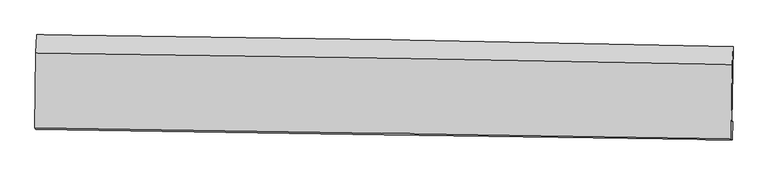
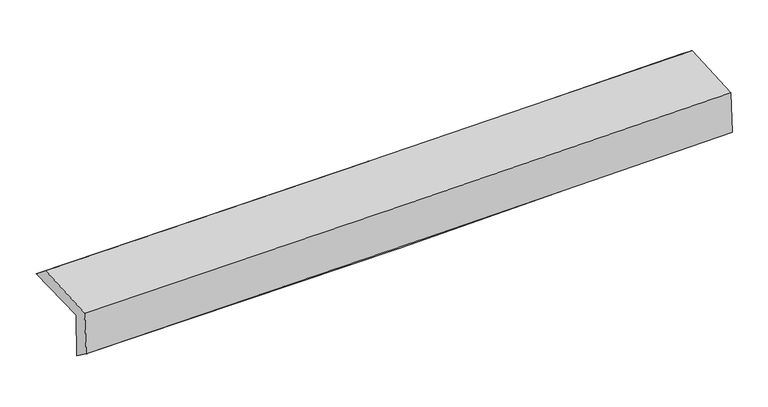
"""IFC4 building model written with IfcOpenShell, lengths in millimetres: proxy geometry."""

import ifcopenshell
import ifcopenshell.guid

model = None  # the IFC model being written
_history = None  # IfcOwnerHistory: only IFC2X3 demands one
_inside = {}  # id of a spatial element -> (the spatial element, [elements in it])
_under = {}  # id of a project, library or spatial element -> (it, [spatial elements below it])
_declared = {}  # id of a project -> (the project, [libraries it declares])
_typed = {}  # id of a type object -> (the type object, [elements of that type])
_made_of = {}  # id of a material, layer set ... -> (it, [elements and type objects made of it])


def new_model(schema):
    """Start an empty IFC model of exactly this schema.

    Asked for "IFC4X3", IfcOpenShell would pick the latest addendum, in which some entities
    have other attributes; the version numbers below select the first issue.
    IFC2X3 requires an IfcOwnerHistory on every rooted entity: one is made here for all.
    """
    global model, _history
    if schema == "IFC4X3":
        model = ifcopenshell.file(schema_version=(4, 3, 0, 0))
    else:
        model = ifcopenshell.file(schema=schema)
    _inside.clear()
    _under.clear()
    _declared.clear()
    _typed.clear()
    _made_of.clear()
    _history = None
    if model.schema == "IFC2X3":
        org = make("IfcOrganization", Name="unknown")
        user = make(
            "IfcPersonAndOrganization",
            ThePerson=make("IfcPerson", FamilyName="unknown"),
            TheOrganization=org,
        )
        app = make(
            "IfcApplication",
            ApplicationDeveloper=org,
            Version="unknown",
            ApplicationFullName="unknown",
            ApplicationIdentifier="unknown",
        )
        _history = make(
            "IfcOwnerHistory",
            OwningUser=user,
            OwningApplication=app,
            ChangeAction="ADDED",
            CreationDate=0,
        )
    return model


def make(cls, **values):
    """One entity of the class cls with the attributes given. An attribute that is None is left unset."""
    return model.create_entity(
        cls, **{name: value for name, value in values.items() if value is not None}
    )


def rooted(cls, **values):
    """An entity with a GlobalId (a new one), such as an element, a storey or a relation."""
    return make(cls, GlobalId=ifcopenshell.guid.new(), OwnerHistory=_history, **values)


def si_unit(unit_type, name, prefix=None):
    """IfcSIUnit, for example si_unit("LENGTHUNIT", "METRE", prefix="MILLI")."""
    return make("IfcSIUnit", UnitType=unit_type, Prefix=prefix, Name=name)


def assignment(units):
    """IfcUnitAssignment: the units of a project."""
    return None if units is None else make("IfcUnitAssignment", Units=units)


def point(xyz):
    """IfcCartesianPoint."""
    return None if xyz is None else make("IfcCartesianPoint", Coordinates=xyz)


def direction(xyz):
    """IfcDirection."""
    return None if xyz is None else make("IfcDirection", DirectionRatios=xyz)


def frame(location, z_axis=None, x_axis=None):
    """IfcAxis2Placement3D, a coordinate frame: its origin and axes. An axis left out is left unset."""
    return make(
        "IfcAxis2Placement3D",
        Location=point(location),
        Axis=direction(z_axis),
        RefDirection=direction(x_axis),
    )


def origin():
    """The frame at (0, 0, 0) with its axes left unset."""
    return frame((0.0, 0.0, 0.0))


def place(relative_to, where):
    """IfcLocalPlacement: puts the frame where relative to a parent placement (None: the world)."""
    return make(
        "IfcLocalPlacement", PlacementRelTo=relative_to, RelativePlacement=where
    )


def context(
    kind, dimensions, precision=None, world=None, true_north=None, identifier=None
):
    """IfcGeometricRepresentationContext, for example the 3D "Model" context."""
    return make(
        "IfcGeometricRepresentationContext",
        ContextIdentifier=identifier,
        ContextType=kind,
        CoordinateSpaceDimension=dimensions,
        Precision=precision,
        WorldCoordinateSystem=world,
        TrueNorth=true_north,
    )


def project(units=None, contexts=None):
    """IfcProject with its units and contexts."""
    return rooted(
        "IfcProject",
        Name="project",
        RepresentationContexts=contexts,
        UnitsInContext=assignment(units),
    )


def spatial(cls, under=None, at=None, **own):
    """A site, building, storey or space (cls), placed at a placement, below another one or the project."""
    s = rooted(cls, ObjectPlacement=at, **own)
    if under is not None:
        _under.setdefault(under.id(), (under, []))[1].append(s)
    return s


def shape(context_of_items, identifier, shape_type, items):
    """IfcShapeRepresentation: the items that make up one representation, for example the "Body"."""
    return make(
        "IfcShapeRepresentation",
        ContextOfItems=context_of_items,
        RepresentationIdentifier=identifier,
        RepresentationType=shape_type,
        Items=items,
    )


def source(mapping_origin, context_of_items, identifier, shape_type, items):
    """IfcRepresentationMap: a shape defined once, which mapped items show again and again."""
    return make(
        "IfcRepresentationMap",
        MappingOrigin=mapping_origin,
        MappedRepresentation=shape(context_of_items, identifier, shape_type, items),
    )


def transform(
    local_origin,
    x_axis=None,
    y_axis=None,
    z_axis=None,
    scale=None,
    scale2=None,
    scale3=None,
    uniform=True,
):
    """IfcCartesianTransformationOperator3D, or its non-uniform kind. x_axis, y_axis, z_axis: its Axis1, 2, 3."""
    if uniform:
        return make(
            "IfcCartesianTransformationOperator3D",
            Axis1=direction(x_axis),
            Axis2=direction(y_axis),
            LocalOrigin=point(local_origin),
            Scale=scale,
            Axis3=direction(z_axis),
        )
    return make(
        "IfcCartesianTransformationOperator3DnonUniform",
        Axis1=direction(x_axis),
        Axis2=direction(y_axis),
        LocalOrigin=point(local_origin),
        Scale=scale,
        Axis3=direction(z_axis),
        Scale2=scale2,
        Scale3=scale3,
    )


def mapped(mapping_source, mapping_target):
    """IfcMappedItem: shows the shape of a source again, moved by a transform."""
    return make(
        "IfcMappedItem", MappingSource=mapping_source, MappingTarget=mapping_target
    )


def made_of(thing, what):
    """Note that an element or type object is made of a material, layer set ...; save() writes the relation."""
    if what is not None:
        _made_of.setdefault(what.id(), (what, []))[1].append(thing)
    return thing


def element(
    cls,
    number,
    at=None,
    inside=None,
    cuts=None,
    type_object=None,
    material=None,
    context=None,
    identifier="Body",
    shape_type=None,
    held_by="IfcProductDefinitionShape",
    body=None,
    shapes=None,
    **own,
):
    """One element of the class cls, such as IfcWall. Its Tag is "e" and its number.

    at: its placement. inside: the storey or other place that contains it. cuts: it is an
    opening in that element (IfcRelVoidsElement). A single representation is given by context,
    identifier, shape_type and body (its items); several are given by shapes. held_by: the class
    of the entity that holds the representations. save() writes the other relations.
    """
    e = rooted(cls, Tag="e%d" % number, ObjectPlacement=at, **own)
    if body is not None:
        shapes = [shape(context, identifier, shape_type, body)]
    if shapes is not None:
        e.Representation = make(held_by, Representations=shapes)
    if inside is not None:
        _inside.setdefault(inside.id(), (inside, []))[1].append(e)
    if cuts is not None:
        rooted(
            "IfcRelVoidsElement", RelatingBuildingElement=cuts, RelatedOpeningElement=e
        )
    if type_object is not None:
        _typed.setdefault(type_object.id(), (type_object, []))[1].append(e)
    return made_of(e, material)


def aggregate(whole, parts):
    """IfcRelAggregates: a whole, such as a stair, and the parts it consists of."""
    return rooted("IfcRelAggregates", RelatingObject=whole, RelatedObjects=parts)


def save(model, path):
    """Write the relations noted so far, then the file.

    IfcRelAggregates (storeys below a building ...), IfcRelContainedInSpatialStructure (elements
    in a storey), IfcRelDefinesByType, IfcRelAssociatesMaterial and IfcRelDeclares: one each for
    every whole, place, type object, material and project.
    """
    for whole, parts in _under.values():
        aggregate(whole, parts)
    for where, things in _inside.values():
        rooted(
            "IfcRelContainedInSpatialStructure",
            RelatedElements=things,
            RelatingStructure=where,
        )
    for kind, things in _typed.values():
        rooted("IfcRelDefinesByType", RelatedObjects=things, RelatingType=kind)
    for what, things in _made_of.values():
        rooted("IfcRelAssociatesMaterial", RelatedObjects=things, RelatingMaterial=what)
    for by, libraries in _declared.values():
        rooted("IfcRelDeclares", RelatingContext=by, RelatedDefinitions=libraries)
    model.write(path)


def plane_surface(at):
    """IfcPlane: the flat surface through the origin of the frame at, square to its z axis."""
    return make("IfcPlane", Position=at)


def spline_curve(degree, points, multiplicities, knots, weights=None):
    """IfcBSplineCurveWithKnots; with weights, IfcRationalBSplineCurveWithKnots."""
    own = dict(
        Degree=degree,
        ControlPointsList=[point(p) for p in points],
        CurveForm="UNSPECIFIED",
        ClosedCurve=False,
        SelfIntersect=False,
        KnotMultiplicities=multiplicities,
        Knots=knots,
        KnotSpec="UNSPECIFIED",
    )
    if weights is None:
        return make("IfcBSplineCurveWithKnots", **own)
    return make("IfcRationalBSplineCurveWithKnots", WeightsData=weights, **own)


def spline_surface(u_degree, v_degree, points, u_multiplicities, v_multiplicities, u_knots, v_knots, weights=None):
    """IfcBSplineSurfaceWithKnots; with weights, IfcRationalBSplineSurfaceWithKnots. points: one row for each step in u."""
    own = dict(
        UDegree=u_degree,
        VDegree=v_degree,
        ControlPointsList=[[point(p) for p in row] for row in points],
        SurfaceForm="UNSPECIFIED",
        UClosed=False,
        VClosed=False,
        SelfIntersect=False,
        UMultiplicities=u_multiplicities,
        VMultiplicities=v_multiplicities,
        UKnots=u_knots,
        VKnots=v_knots,
        KnotSpec="UNSPECIFIED",
    )
    if weights is None:
        return make("IfcBSplineSurfaceWithKnots", **own)
    return make("IfcRationalBSplineSurfaceWithKnots", WeightsData=weights, **own)


def advanced_brep(points, edges, surfaces, faces):
    """IfcAdvancedBrep: a solid bounded by faces that lie on surfaces and meet in shared edges.

    An edge is (start, end): straight between two places in points (the first is 0);
    or (start, end, curve); or (start, end, curve, False) where it runs against its curve.
    A face is (place in surfaces, loops), or (place, loops, False) where it looks against
    its surface's normal. A loop lists edges by number (the first is 1), with a minus sign
    where the edge is run from its end to its start. The first loop is the outer one.
    """
    corners = [point(p) for p in points]
    vertices = [make("IfcVertexPoint", VertexGeometry=c) for c in corners]
    made = []
    for start, end, *more in edges:
        made.append(
            make(
                "IfcEdgeCurve",
                EdgeStart=vertices[start],
                EdgeEnd=vertices[end],
                EdgeGeometry=more[0] if more else make("IfcPolyline", Points=[corners[start], corners[end]]),
                SameSense=more[1] if len(more) > 1 else True,
            )
        )
    hull = []
    for where, loops, *sense in faces:
        bounds = []
        for j, loop in enumerate(loops):
            ring = [make("IfcOrientedEdge", EdgeElement=made[abs(k) - 1], Orientation=k > 0) for k in loop]
            bounds.append(
                make(
                    "IfcFaceOuterBound" if j == 0 else "IfcFaceBound",
                    Bound=make("IfcEdgeLoop", EdgeList=ring),
                    Orientation=True,
                )
            )
        hull.append(make("IfcAdvancedFace", Bounds=bounds, FaceSurface=surfaces[where], SameSense=sense[0] if sense else True))
    return make("IfcAdvancedBrep", Outer=make("IfcClosedShell", CfsFaces=hull))


def generic_models_9c24ed5f(model_context):
    return source(origin(), model_context, "Body", "AdvancedBrep", [
        advanced_brep(
        [(-3010.6726661, -1752.9269023, 1975.7695541), (-3000.6242633, -1088.5736698, 1979.7556175), (2998.2830542, -1188.5448577, 2122.8402685), (2987.517817, -1845.6114362, 2121.5802218), (-3001.3357441, -1745.4783912, 1566.6698748), (2996.7610346, -1838.2376777, 1716.586229), (-3006.4826947, -1904.9037287, 1687.0527683), (2991.5041481, -1996.6810257, 1834.4223057), (-3015.2567798, -1893.525598, 2083.9309992), (2982.971699, -1985.5891637, 2221.3274183), (-3005.9163597, -1247.1876399, 2107.1256807), (2992.9858355, -1344.3999589, 2244.3546101)],
        [
            (0, 1),
            (1, 2, spline_curve(3, [(-3000.6242633, -1088.5736698, 1979.7556175), (-2000.384502205, -1099.611913261, 1989.368340713), (-1000.362356991, -1113.461818311, 2006.098168631), (999.273426894, -1146.785397084, 2053.792672044), (1998.88705453, -1166.259221437, 2084.757727444), (2998.2830542, -1188.5448577, 2122.8402685)], [4, 2, 4], [0.0, 9.844802956877036, 19.689869084319284])),
            (2, 3),
            (3, 0, spline_curve(3, [(2987.517817, -1845.6114362, 2121.5802218), (1988.523963341, -1826.724279681, 2068.900566594), (989.171143688, -1809.556909713, 2030.409877244), (-1010.225702979, -1778.66215702, 1981.80708017), (-2010.269711317, -1764.934682303, 1971.694213579), (-3010.6726661, -1752.9269023, 1975.7695541)], [4, 2, 4], [0.0, 9.845066127442248, 19.689869084319284])),
            (4, 0),
            (3, 5),
            (5, 4, spline_curve(3, [(2996.7610346, -1838.2376777, 1716.586229), (1997.665031904, -1819.432009988, 1668.38225617), (998.268947753, -1802.299154828, 1631.787228629), (-1001.096661461, -1771.379482238, 1581.815731279), (-2001.066170032, -1757.592575096, 1568.438640821), (-3001.3357441, -1745.4783912, 1566.6698748)], [4, 2, 4], [0.0, 9.844732733198374, 19.689202304743567])),
            (6, 4),
            (5, 7),
            (7, 6, spline_curve(3, [(2991.5041481, -1996.6810257, 1834.4223057), (1991.973247122, -1981.68976836, 1804.180172726), (992.368877904, -1966.545927491, 1776.778185229), (-1006.960073502, -1935.953487201, 1727.655157939), (-2006.684652137, -1920.504895618, 1705.933966377), (-3006.4826947, -1904.9037287, 1687.0527683)], [4, 2, 4], [0.0, 9.843882598175286, 19.687502057422535])),
            (8, 6),
            (7, 9),
            (9, 8, spline_curve(3, [(2982.971699, -1985.5891637, 2221.3274183), (1983.400969727, -1970.550653422, 2192.731458822), (983.756550206, -1955.359330137, 2166.983662231), (-1015.652946927, -1924.67146663, 2121.185008304), (-2015.418020145, -1909.174934856, 2101.133998162), (-3015.2567798, -1893.525598, 2083.9309992)], [4, 2, 4], [0.0, 9.843520914212705, 19.686778699165625])),
            (10, 8),
            (9, 11),
            (11, 10, spline_curve(3, [(2992.9858355, -1344.3999589, 2244.3546101), (1993.378987275, -1323.50377565, 2215.966070034), (993.660363453, -1304.954580297, 2190.33593982), (-1005.973707373, -1272.550599607, 2144.593110769), (-2005.889148981, -1258.695688489, 2124.480264486), (-3005.9163597, -1247.1876399, 2107.1256807)], [4, 2, 4], [0.0, 9.844152384017613, 19.688041621895486])),
            (1, 10),
            (11, 2),
        ],
        [
            spline_surface(3, 3, [[(-3010.6726661, -1752.9269023, 1975.7695541), (-2010.269711286, -1764.9346822, 1971.694213445), (-1010.225703097, -1778.66215702, 1981.807080044), (989.171143806, -1809.556909713, 2030.409877371), (1988.523963292, -1826.724279522, 2068.900566685), (2987.517817, -1845.6114362, 2121.5802218)], [(-3007.323198483, -1531.475824821, 1977.098241923), (-2006.974641541, -1543.160425871, 1977.585589211), (-1006.937921117, -1556.928710751, 1989.90410961), (992.53857153, -1588.633072209, 2038.204142205), (1991.978327044, -1606.569260182, 2074.186286969), (2991.106229403, -1626.589243395, 2122.000237374)], [(-3003.973730917, -1310.024747279, 1978.426929677), (-2003.679571845, -1321.386169479, 1983.476964907), (-1003.650139095, -1335.195264474, 1998.001139206), (995.905999295, -1367.709234695, 2045.998407069), (1995.432690785, -1386.414240757, 2079.472007232), (2994.694641797, -1407.567050505, 2122.420252926)], [(-3000.6242633, -1088.5736698, 1979.7556175), (-2000.384502099, -1099.61191315, 1989.368340673), (-1000.362357116, -1113.461818205, 2006.098168772), (999.273427018, -1146.785397191, 2053.792671903), (1998.887054536, -1166.259221416, 2084.757727516), (2998.2830542, -1188.5448577, 2122.8402685)]], [4, 4], [4, 2, 4], [0.0, 2.1800807646718394], [0.0, 9.844802956877036, 19.689869084319284]),
            spline_surface(3, 3, [[(-3001.3357441, -1745.4783912, 1566.6698748), (-2001.066169905, -1757.592575224, 1568.438640797), (-1001.096661318, -1771.37948217, 1581.815731238), (998.268947609, -1802.299154896, 1631.78722867), (1997.665031954, -1819.432010134, 1668.382256296), (2996.7610346, -1838.2376777, 1716.586229)], [(-3004.448051452, -1747.961228201, 1703.036434554), (-2004.13401705, -1760.039944184, 1702.857165001), (-1004.13967523, -1773.807040468, 1715.146180849), (995.236346356, -1804.718406516, 1764.661444913), (1994.618009077, -1821.862766576, 1801.888359741), (2993.679962077, -1840.695597179, 1851.584226582)], [(-3007.560358748, -1750.444065299, 1839.402994346), (-2007.201864141, -1762.48731324, 1837.275689241), (-1007.182689185, -1776.234598722, 1848.476630433), (992.20374506, -1807.137658093, 1897.535661128), (1991.570986169, -1824.29352308, 1935.39446324), (2990.598889523, -1843.153516721, 1986.582224218)], [(-3010.6726661, -1752.9269023, 1975.7695541), (-2010.269711286, -1764.9346822, 1971.694213445), (-1010.225703097, -1778.66215702, 1981.807080044), (989.171143806, -1809.556909713, 2030.409877371), (1988.523963292, -1826.724279522, 2068.900566685), (2987.517817, -1845.6114362, 2121.5802218)]], [4, 4], [4, 2, 4], [0.0, 1.3106204960503647], [0.0, 9.844469571545194, 19.689202304743567]),
            spline_surface(3, 3, [[(-3006.4826947, -1904.9037287, 1687.0527683), (-2006.684652089, -1920.504895681, 1705.933966253), (-1006.960073565, -1935.953487099, 1727.655157931), (992.368877967, -1966.545927593, 1776.778185236), (1991.973247034, -1981.689768502, 1804.180172669), (2991.5041481, -1996.6810257, 1834.4223057)], [(-3004.767044477, -1851.761949548, 1646.925137149), (-2004.811824671, -1866.200788876, 1660.102191116), (-1005.005602809, -1881.095485457, 1679.042015701), (994.335567855, -1911.797003362, 1728.447866382), (1993.870508676, -1927.60384905, 1758.91420055), (2993.256443602, -1943.86657637, 1795.143613471)], [(-3003.051394323, -1798.620170352, 1606.797505951), (-2002.938997322, -1811.896682028, 1614.270415933), (-1003.051132074, -1826.237483812, 1630.428873468), (996.302257721, -1857.048079127, 1680.117547524), (1995.767770312, -1873.517929587, 1713.648228416), (2995.008739098, -1891.05212703, 1755.864921229)], [(-3001.3357441, -1745.4783912, 1566.6698748), (-2001.066169905, -1757.592575224, 1568.438640797), (-1001.096661318, -1771.37948217, 1581.815731238), (998.268947609, -1802.299154896, 1631.78722867), (1997.665031954, -1819.432010134, 1668.382256296), (2996.7610346, -1838.2376777, 1716.586229)]], [4, 4], [4, 2, 4], [0.0, 0.7203737105469539], [0.0, 9.843619459247249, 19.687502057422535]),
            spline_surface(3, 3, [[(-3015.2567798, -1893.525598, 2083.9309992), (-2015.418020008, -1909.174934903, 2101.133998235), (-1015.652946801, -1924.671466684, 2121.185008222), (983.756550079, -1955.359330083, 2166.983662313), (1983.400969792, -1970.550653543, 2192.731458709), (2982.971699, -1985.5891637, 2221.3274183)], [(-3012.332084768, -1897.318308235, 1951.638255564), (-2012.506897369, -1912.951588497, 1969.400654238), (-1012.755322382, -1928.432140155, 1990.008391443), (986.627326049, -1959.088195919, 2036.915169939), (1986.258395536, -1974.26369187, 2063.214363379), (2985.815848697, -1989.286451041, 2092.35904745)], [(-3009.407389732, -1901.111018465, 1819.345511936), (-2009.595774727, -1916.728242087, 1837.66731025), (-1009.857697984, -1932.192813628, 1858.83177471), (989.498101997, -1962.817061757, 1906.846677611), (1989.11582129, -1977.976730175, 1933.697268), (2988.659998403, -1992.983738359, 1963.39067655)], [(-3006.4826947, -1904.9037287, 1687.0527683), (-2006.684652089, -1920.504895681, 1705.933966253), (-1006.960073565, -1935.953487099, 1727.655157931), (992.368877967, -1966.545927593, 1776.778185236), (1991.973247034, -1981.689768502, 1804.180172669), (2991.5041481, -1996.6810257, 1834.4223057)]], [4, 4], [4, 2, 4], [0.0, 1.2864963843825807], [0.0, 9.84325778495292, 19.686778699165625]),
            spline_surface(3, 3, [[(-3005.9163597, -1247.1876399, 2107.1256807), (-2005.889148954, -1258.695688365, 2124.48026448), (-1005.973707481, -1272.550599516, 2144.593110795), (993.660363561, -1304.954580389, 2190.335939794), (1993.378987156, -1323.503775544, 2215.966069942), (2992.9858355, -1344.3999589, 2244.3546101)], [(-3009.029833083, -1462.63362593, 2099.394120181), (-2009.065439321, -1475.522103874, 2116.698175712), (-1009.200120604, -1489.924221887, 2136.790409931), (990.359092384, -1521.756163602, 2182.551847295), (1990.052981359, -1539.186068191, 2208.221199501), (2989.647789991, -1558.129693813, 2236.67887947)], [(-3012.143306417, -1678.07961197, 2091.662559719), (-2012.24172964, -1692.348519393, 2108.916087003), (-1012.426533678, -1707.297844313, 2128.987709086), (987.057821256, -1738.55774687, 2174.767754812), (1986.726975589, -1754.868360897, 2200.47632915), (2986.309744509, -1771.859428787, 2229.00314893)], [(-3015.2567798, -1893.525598, 2083.9309992), (-2015.418020008, -1909.174934903, 2101.133998235), (-1015.652946801, -1924.671466684, 2121.185008222), (983.756550079, -1955.359330083, 2166.983662313), (1983.400969792, -1970.550653543, 2192.731458709), (2982.971699, -1985.5891637, 2221.3274183)]], [4, 4], [4, 2, 4], [0.0, 2.1383066825521833], [0.0, 9.843889237877873, 19.688041621895486]),
            spline_surface(3, 3, [[(-3000.6242633, -1088.5736698, 1979.7556175), (-2000.384502099, -1099.61191315, 1989.368340673), (-1000.362357116, -1113.461818205, 2006.098168772), (999.273427018, -1146.785397191, 2053.792671903), (1998.887054536, -1166.259221416, 2084.757727516), (2998.2830542, -1188.5448577, 2122.8402685)], [(-3002.388295437, -1141.444993165, 2022.212305229), (-2002.219384388, -1152.63983822, 2034.405648604), (-1002.232807236, -1166.491411975, 2052.263149467), (997.402405868, -1199.508458257, 2099.307094554), (1997.051032073, -1218.674072794, 2128.493841678), (2996.51731463, -1240.496558102, 2163.345049054)], [(-3004.152327563, -1194.316316535, 2064.668992971), (-2004.054266666, -1205.667763295, 2079.442956549), (-1004.103257361, -1219.521005746, 2098.428130099), (995.531384712, -1252.231519323, 2144.821517143), (1995.215009619, -1271.088924167, 2172.22995578), (2994.75157507, -1292.448258498, 2203.849829546)], [(-3005.9163597, -1247.1876399, 2107.1256807), (-2005.889148954, -1258.695688365, 2124.48026448), (-1005.973707481, -1272.550599516, 2144.593110795), (993.660363561, -1304.954580389, 2190.335939794), (1993.378987156, -1323.503775544, 2215.966069942), (2992.9858355, -1344.3999589, 2244.3546101)]], [4, 4], [4, 2, 4], [0.0, 0.6890243706602186], [0.0, 9.84475764783142, 19.689778465016854]),
            plane_surface(frame((2991.6705981, -1699.84402, 2043.5185089), z_axis=(0.9996116380169585, -0.016420598824418698, 0.022515263163032064), x_axis=(0.022038668394222583, -0.02864943774040739, -0.9993465399012337))),
            plane_surface(frame((-3006.7147513, -1605.432655, 1900.0507491), z_axis=(-0.9996296223946245, 0.015254708142734212, -0.022536901088231028), x_axis=(-0.015123088710581737, -0.9998676426041742, -0.005999121687663222))),
        ],
        [
            (0, [[1, 2, 3, 4]]),
            (1, [[5, -4, 6, 7]]),
            (2, [[8, -7, 9, 10]]),
            (3, [[11, -10, 12, 13]]),
            (4, [[14, -13, 15, 16]]),
            (5, [[17, -16, 18, -2]]),
            (6, [[-12, -9, -6, -3, -18, -15]]),
            (7, [[-1, -5, -8, -11, -14, -17]]),
        ],
    ),
    ])


if __name__ == "__main__":
    model = new_model("IFC4")
    model_context = context("Model", 3, world=origin())
    ifc_project = project(units=[si_unit("LENGTHUNIT", "METRE", prefix="MILLI")], contexts=[model_context])
    site = spatial("IfcSite", under=ifc_project)
    building = spatial("IfcBuilding", under=site)
    placement = place(None, origin())
    generic_models_shape = generic_models_9c24ed5f(model_context)
    element("IfcBuildingElementProxy", 1, Name="Generic Models", at=placement, inside=building, context=model_context, shape_type="MappedRepresentation", body=[
        mapped(generic_models_shape, transform((0.0, 0.0, 0.0), x_axis=(1.0, 0.0, 0.0), y_axis=(0.0, 1.0, 0.0), z_axis=(0.0, 0.0, 1.0))),
    ])
    save(model, "model.ifc")
